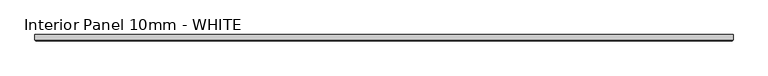
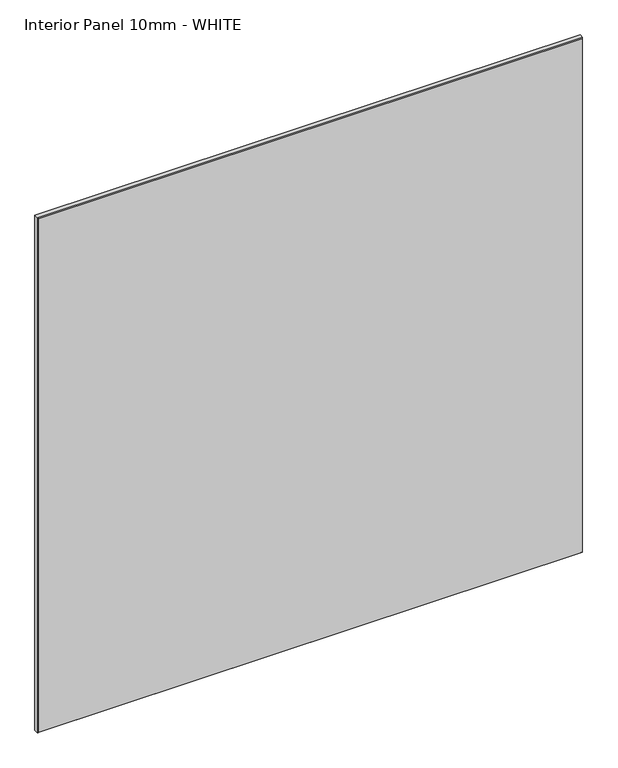
"""IFC4 building model written with IfcOpenShell, lengths in millimetres: proxy geometry, Interior Panel 10mm - WHITE."""

from ifc_helpers import new_model, si_unit, origin, place, context, project, spatial, faceted_brep, source, transform, mapped, element, save


def interior_panel_10mm_white_b334dc65(model_context):
    return source(origin(), model_context, "Body", "Brep", [
        faceted_brep([(992.1875, 3.175, 1063.625), (-73.025, 3.175, 1063.625), (-73.025, -4.7625, 1063.625), (992.1875, -4.7625, 1063.625), (992.1875, 3.175, 0.0), (992.1875, -4.7625, 0.0), (-73.025, -4.7625, 0.0), (-73.025, 3.175, 0.0), (-71.4375, -6.35, 1062.0375), (-71.4375, -6.35, 1.5875), (990.6, -6.35, 1.5875), (990.6, -6.35, 1062.0375)], [[[0, 1, 2, 3]], [[4, 5, 6, 7]], [[1, 0, 4, 7]], [[2, 1, 7, 6]], [[8, 9, 10, 11]], [[0, 3, 5, 4]], [[2, 6, 9, 8]], [[5, 3, 11, 10]], [[3, 2, 8, 11]], [[6, 5, 10, 9]]]),
    ])


if __name__ == "__main__":
    model = new_model("IFC4")
    model_context = context("Model", 3, world=origin())
    ifc_project = project(units=[si_unit("LENGTHUNIT", "METRE", prefix="MILLI")], contexts=[model_context])
    site = spatial("IfcSite", under=ifc_project)
    building = spatial("IfcBuilding", under=site)
    placement = place(None, origin())
    interior_panel_10mm_white_shape = interior_panel_10mm_white_b334dc65(model_context)
    element("IfcBuildingElementProxy", 1, Name="Interior Panel 10mm - WHITE", ObjectType="Interior Panel 10mm - WHITE", at=placement, inside=building, context=model_context, shape_type="MappedRepresentation", body=[
        mapped(interior_panel_10mm_white_shape, transform((0.0, 0.0, 0.0), x_axis=(1.0, 0.0, 0.0), y_axis=(0.0, 1.0, 0.0), z_axis=(0.0, 0.0, 1.0))),
    ])
    save(model, "model.ifc")
